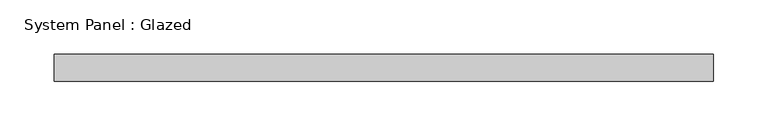
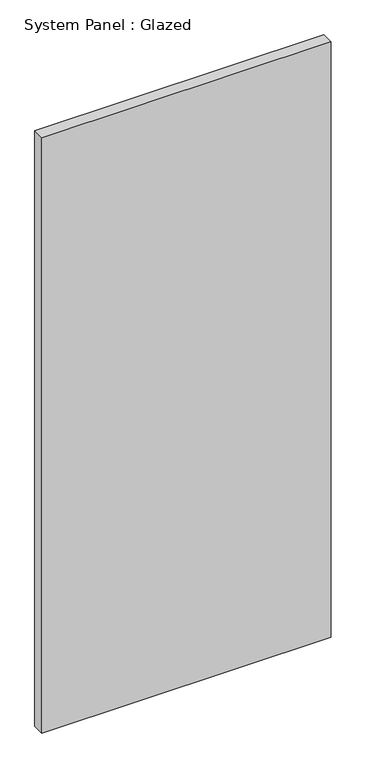
"""IFC4 building model written with IfcOpenShell, lengths in millimetres: plate geometry, System Panel : Glazed."""

from ifc_helpers import new_model, si_unit, origin, origin_with_axes, place, context, project, spatial, polyline, outline, extrude, source, transform, mapped, element, save


def system_panel_glazed_becda1b8(model_context):
    return source(origin(), model_context, "Body", "SweptSolid", [
        extrude(outline(polyline([(304.5, -49.5), (-304.5, -49.5), (-304.5, -24.5), (304.5, -24.5), (304.5, -49.5)])), origin_with_axes(), (0.0, 0.0, 1.0), 1325.0),
    ])


if __name__ == "__main__":
    model = new_model("IFC4")
    model_context = context("Model", 3, world=origin())
    ifc_project = project(units=[si_unit("LENGTHUNIT", "METRE", prefix="MILLI")], contexts=[model_context])
    site = spatial("IfcSite", under=ifc_project)
    building = spatial("IfcBuilding", under=site)
    placement = place(None, origin())
    system_panel_glazed_shape = system_panel_glazed_becda1b8(model_context)
    element("IfcPlate", 1, ObjectType="System Panel : Glazed", at=placement, inside=building, context=model_context, shape_type="MappedRepresentation", body=[
        mapped(system_panel_glazed_shape, transform((0.0, 0.0, 0.0), x_axis=(1.0, 0.0, 0.0), y_axis=(0.0, 1.0, 0.0), z_axis=(0.0, 0.0, 1.0))),
    ])
    save(model, "model.ifc")
